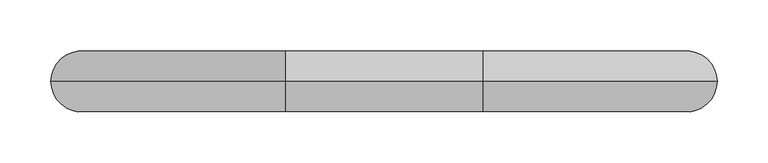
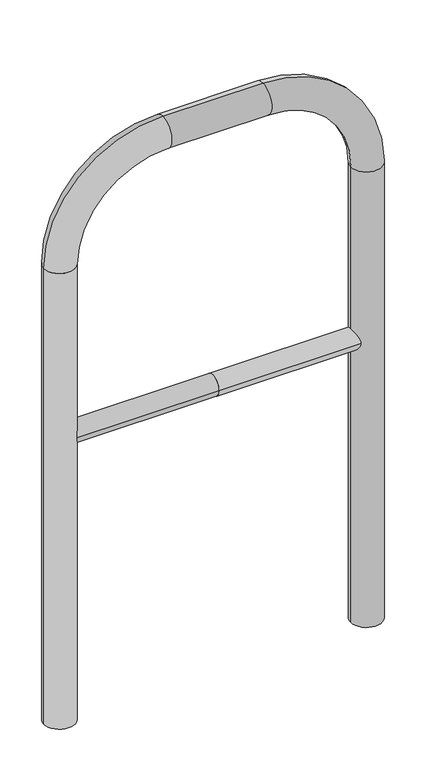
"""IFC4 building model written with IfcOpenShell, lengths in millimetres: proxy geometry."""

from ifc_helpers import new_model, si_unit, point, frame, frame_2d, origin, place, context, project, spatial, circle_curve, ellipse_curve, trimmed, segment, composite_curve, outline, extrude, source, transform, mapped, element, save
from ifc_brep_helpers import plane_surface, cylinder_surface, revolved_surface, advanced_brep


def generic_models_4d7b361e(model_context):
    return source(origin(), model_context, "Body", "SolidModel", [
        extrude(outline(composite_curve([segment(trimmed(circle_curve(frame_2d((0.0, 498.4778375)), 20.0), [point((-20.0, 498.4778375))], [point((20.0, 498.4778375))], False, "CARTESIAN"), True, "CONTINUOUS"), segment(trimmed(circle_curve(frame_2d((0.0, 498.4778375)), 20.0), [point((20.0, 498.4778375))], [point((-20.0, 498.4778375))], False, "CARTESIAN"), True, "CONTINUOUS")], self_intersect=False)), frame((-296.7058432, 0.0, 0.0), z_axis=(1.0, 0.0, 0.0), x_axis=(0.0, 1.0, 0.0)), (0.0, 0.0, 1.0), 296.7058432),
        extrude(outline(composite_curve([segment(trimmed(circle_curve(frame_2d((0.0, 498.4778375)), 20.0), [point((-20.0, 498.4778375))], [point((20.0, 498.4778375))], False, "CARTESIAN"), True, "CONTINUOUS"), segment(trimmed(circle_curve(frame_2d((0.0, 498.4778375)), 20.0), [point((20.0, 498.4778375))], [point((-20.0, 498.4778375))], False, "CARTESIAN"), True, "CONTINUOUS")], self_intersect=False)), frame((0.0, 0.0, 0.0), z_axis=(1.0, 0.0, 0.0), x_axis=(0.0, 1.0, 0.0)), (0.0, 0.0, 1.0), 296.7058432),
        advanced_brep(
        [(-266.7058432, 0.0, -80.0), (-326.7058432, 0.0, -80.0), (-266.7058432, 0.0, 850.0), (-326.7058432, 0.0, 850.0), (-96.7058432, 0.0, 1080.0), (-96.7058432, 0.0, 1020.0), (96.7058432, 0.0, 1020.0), (96.7058432, 0.0, 1080.0), (326.7058432, 0.0, 850.0), (266.7058432, 0.0, 850.0), (266.7058432, 0.0, -80.0), (326.7058432, 0.0, -80.0)],
        [
            (0, 1, circle_curve(frame((-296.7058432, 0.0, -80.0), z_axis=(0.0, 0.0, -1.0), x_axis=(-1.0, 0.0, 0.0)), 30.0)),
            (1, 0, circle_curve(frame((-296.7058432, 0.0, -80.0), z_axis=(0.0, 0.0, -1.0), x_axis=(-1.0, 0.0, 0.0)), 30.0)),
            (0, 2),
            (2, 3, circle_curve(frame((-296.7058432, 0.0, 850.0), z_axis=(0.0, 0.0, -1.0), x_axis=(-1.0, 0.0, 0.0)), 30.0)),
            (3, 1),
            (3, 2, circle_curve(frame((-296.7058432, 0.0, 850.0), z_axis=(0.0, 0.0, -1.0), x_axis=(-1.0, 0.0, 0.0)), 30.0)),
            (4, 3, circle_curve(frame((-96.7058432, 0.0, 850.0), z_axis=(0.0, -1.0, 0.0), x_axis=(-1.0, 0.0, 0.0)), 230.0)),
            (2, 5, circle_curve(frame((-96.7058432, 0.0, 850.0), z_axis=(0.0, 1.0, 0.0), x_axis=(-1.0, 0.0, 0.0)), 170.0)),
            (5, 4, circle_curve(frame((-96.7058432, 0.0, 1050.0), z_axis=(-1.0, 0.0, 0.0), x_axis=(0.0, 0.0, 1.0)), 30.0)),
            (4, 5, circle_curve(frame((-96.7058432, 0.0, 1050.0), z_axis=(-1.0, 0.0, 0.0), x_axis=(0.0, 0.0, 1.0)), 30.0)),
            (5, 6),
            (6, 7, circle_curve(frame((96.7058432, 0.0, 1050.0), z_axis=(-1.0, 0.0, 0.0), x_axis=(0.0, 0.0, 1.0)), 30.0)),
            (7, 4),
            (7, 6, circle_curve(frame((96.7058432, 0.0, 1050.0), z_axis=(-1.0, 0.0, 0.0), x_axis=(0.0, 0.0, 1.0)), 30.0)),
            (8, 7, circle_curve(frame((96.7058432, 0.0, 850.0), z_axis=(0.0, -1.0, 0.0), x_axis=(0.0, 0.0, 1.0)), 230.0)),
            (6, 9, circle_curve(frame((96.7058432, 0.0, 850.0), z_axis=(0.0, 1.0, 0.0), x_axis=(0.0, 0.0, 1.0)), 170.0)),
            (9, 8, circle_curve(frame((296.7058432, 0.0, 850.0), z_axis=(0.0, 0.0, 1.0), x_axis=(1.0, 0.0, 0.0)), 30.0)),
            (8, 9, circle_curve(frame((296.7058432, 0.0, 850.0), z_axis=(0.0, 0.0, 1.0), x_axis=(1.0, 0.0, 0.0)), 30.0)),
            (10, 11, circle_curve(frame((296.7058432, 0.0, -80.0), z_axis=(0.0, 0.0, -1.0), x_axis=(1.0, 0.0, 0.0)), 30.0)),
            (11, 10, circle_curve(frame((296.7058432, 0.0, -80.0), z_axis=(0.0, 0.0, -1.0), x_axis=(1.0, 0.0, 0.0)), 30.0)),
            (9, 10),
            (11, 8),
        ],
        [
            plane_surface(frame((-296.7058432, 0.0, -80.0), z_axis=(0.0, 0.0, -1.0), x_axis=(0.0, -1.0, 0.0))),
            cylinder_surface(frame((-296.7058432, 0.0, -80.0), z_axis=(0.0, 0.0, -1.0), x_axis=(-1.0, 0.0, 0.0)), 30.0),
            revolved_surface(trimmed(ellipse_curve(frame((-296.7058432, 0.0, 850.0), z_axis=(0.0, 0.0, -1.0), x_axis=(-1.0, 0.0, 0.0)), 30.0, 30.0), [point((-266.7058432, 0.0, 850.0))], [point((-326.7058432, 0.0, 850.0))], True, "CARTESIAN"), (-96.7058432, 0.0, 850.0), (0.0, 1.0, 0.0)),
            revolved_surface(trimmed(ellipse_curve(frame((-296.7058432, 0.0, 850.0), z_axis=(0.0, 0.0, -1.0), x_axis=(-1.0, 0.0, 0.0)), 30.0, 30.0), [point((-326.7058432, 0.0, 850.0))], [point((-266.7058432, 0.0, 850.0))], True, "CARTESIAN"), (-96.7058432, 0.0, 850.0), (0.0, 1.0, 0.0)),
            cylinder_surface(frame((-96.7058432, 0.0, 1050.0), z_axis=(-1.0, 0.0, 0.0), x_axis=(0.0, 0.0, 1.0)), 30.0),
            revolved_surface(trimmed(ellipse_curve(frame((96.7058432, 0.0, 1050.0), z_axis=(-1.0, 0.0, 0.0), x_axis=(0.0, 0.0, 1.0)), 30.0, 30.0), [point((96.7058432, 0.0, 1020.0))], [point((96.7058432, 0.0, 1080.0))], True, "CARTESIAN"), (96.7058432, 0.0, 850.0), (0.0, 1.0, 0.0)),
            revolved_surface(trimmed(ellipse_curve(frame((96.7058432, 0.0, 1050.0), z_axis=(-1.0, 0.0, 0.0), x_axis=(0.0, 0.0, 1.0)), 30.0, 30.0), [point((96.7058432, 0.0, 1080.0))], [point((96.7058432, 0.0, 1020.0))], True, "CARTESIAN"), (96.7058432, 0.0, 850.0), (0.0, 1.0, 0.0)),
            plane_surface(frame((296.7058432, 0.0, -80.0), z_axis=(0.0, 0.0, -1.0), x_axis=(0.0, -1.0, 0.0))),
            cylinder_surface(frame((296.7058432, 0.0, 850.0), z_axis=(0.0, 0.0, 1.0), x_axis=(1.0, 0.0, 0.0)), 30.0),
        ],
        [
            (0, [[1, 2]]),
            (1, [[-1, 3, 4, 5]]),
            (1, [[-2, -5, 6, -3]]),
            (2, [[7, -4, 8, 9]]),
            (3, [[-8, -6, -7, 10]]),
            (4, [[-9, 11, 12, 13]]),
            (4, [[-10, -13, 14, -11]]),
            (5, [[15, -12, 16, 17]]),
            (6, [[-16, -14, -15, 18]]),
            (7, [[19, 20]]),
            (8, [[-17, 21, -20, 22]]),
            (8, [[-18, -22, -19, -21]]),
        ],
    ),
    ])


if __name__ == "__main__":
    model = new_model("IFC4")
    model_context = context("Model", 3, world=origin())
    ifc_project = project(units=[si_unit("LENGTHUNIT", "METRE", prefix="MILLI")], contexts=[model_context])
    site = spatial("IfcSite", under=ifc_project)
    building = spatial("IfcBuilding", under=site)
    placement = place(None, origin())
    generic_models_shape = generic_models_4d7b361e(model_context)
    element("IfcBuildingElementProxy", 1, Name="Generic Models", at=placement, inside=building, context=model_context, shape_type="MappedRepresentation", body=[
        mapped(generic_models_shape, transform((0.0, 0.0, 0.0), x_axis=(1.0, 0.0, 0.0), y_axis=(0.0, 1.0, 0.0), z_axis=(0.0, 0.0, 1.0))),
    ])
    save(model, "model.ifc")
